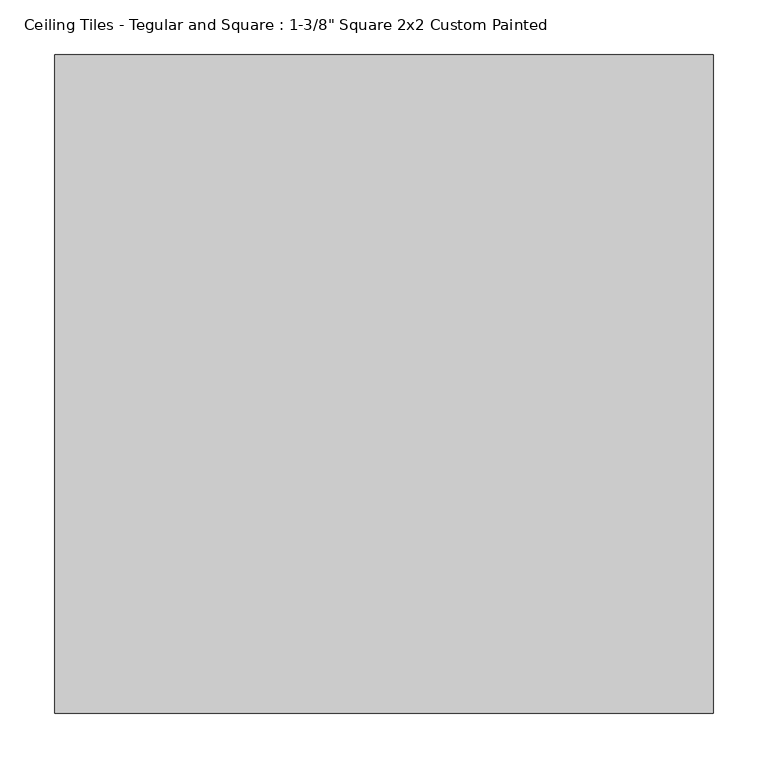
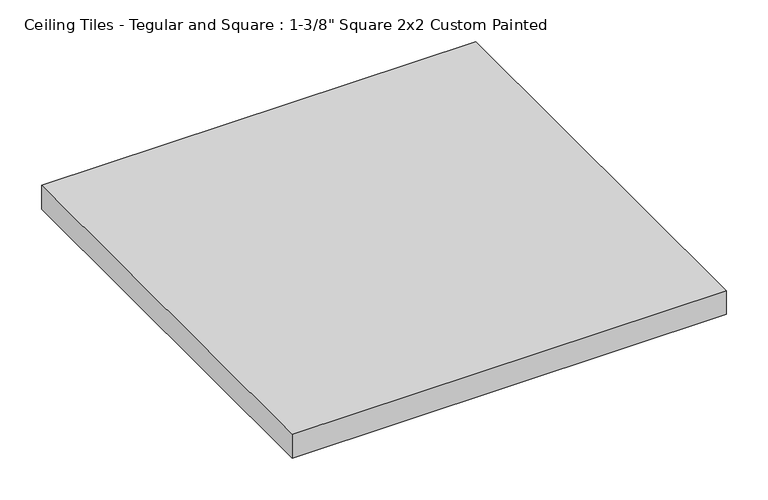
"""IFC4 building model written with IfcOpenShell, lengths in millimetres: proxy geometry."""

from ifc_helpers import new_model, si_unit, origin, origin_with_axes, place, context, project, spatial, polyline, outline, extrude, source, transform, mapped, element, save


def proxy_023d9ab8(model_context):
    return source(origin(), model_context, "Body", "SweptSolid", [
        extrude(outline(polyline([(-301.625, 301.625), (301.625, 301.625), (301.625, -301.625), (-301.625, -301.625), (-301.625, 301.625)])), origin_with_axes(), (0.0, 0.0, 1.0), 34.925),
    ])


if __name__ == "__main__":
    model = new_model("IFC4")
    model_context = context("Model", 3, world=origin())
    ifc_project = project(units=[si_unit("LENGTHUNIT", "METRE", prefix="MILLI")], contexts=[model_context])
    site = spatial("IfcSite", under=ifc_project)
    building = spatial("IfcBuilding", under=site)
    placement = place(None, origin())
    proxy_shape = proxy_023d9ab8(model_context)
    element("IfcBuildingElementProxy", 1, Name="Ceiling Tiles - Tegular and Square : 1-3/8\" Square 2x2 Custom Painted", ObjectType="Ceiling Tiles - Tegular and Square : 1-3/8\" Square 2x2 Custom Painted", at=placement, inside=building, context=model_context, shape_type="MappedRepresentation", body=[
        mapped(proxy_shape, transform((0.0, 0.0, 0.0), x_axis=(1.0, 0.0, 0.0), y_axis=(0.0, 1.0, 0.0), z_axis=(0.0, 0.0, 1.0))),
    ])
    save(model, "model.ifc")
